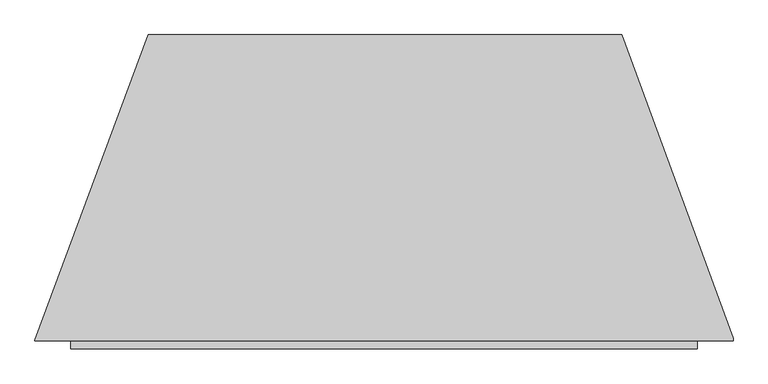
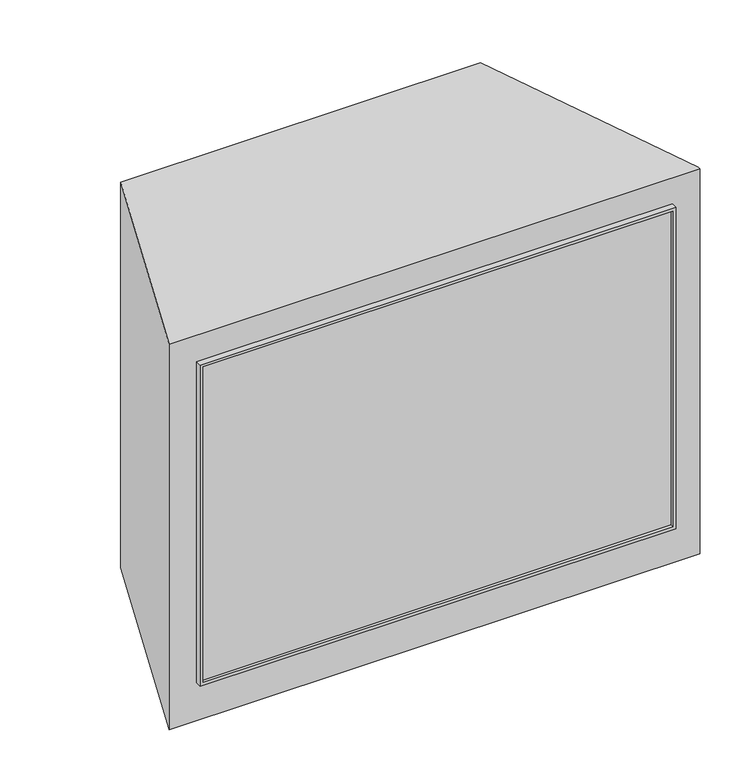
"""IFC4 building model written with IfcOpenShell, lengths in millimetres: proxy geometry."""

from ifc_helpers import new_model, si_unit, origin, origin_with_axes, place, context, project, spatial, polyline, outline, extrude, faceted_brep, source, transform, mapped, element, save


def generic_models_defa969e(model_context):
    return source(origin(), model_context, "Body", "SolidModel", [
        faceted_brep([(478.63125, 0.0, 763.0914062), (-478.63125, 0.0, 763.0914062), (-478.63125, -11.9269933, 763.0914062), (478.63125, -11.9269933, 763.0914062), (478.63125, 0.0, 80.4664063), (478.63125, -11.9269933, 80.4664063), (-478.63125, -11.9269933, 80.4664063), (-478.63125, 0.0, 80.4664063), (-472.28125, -11.9269933, 756.7414062), (472.28125, -11.9269933, 756.7414062), (472.28125, -11.9269933, 86.8164063), (-472.28125, -11.9269933, 86.8164063), (472.28125, -6.1953115, 756.7414062), (-472.28125, -6.1953115, 756.7414062), (-472.28125, -6.1953115, 86.8164063), (472.28125, -6.1953115, 86.8164063)], [[[0, 1, 2, 3]], [[4, 5, 6, 7]], [[1, 0, 4, 7]], [[2, 1, 7, 6]], [[3, 2, 6, 5], [8, 9, 10, 11]], [[0, 3, 5, 4]], [[12, 13, 14, 15]], [[13, 12, 9, 8]], [[14, 13, 8, 11]], [[15, 14, 11, 10]], [[12, 15, 10, 9]]]),
        extrude(outline(polyline([(533.4, 0.0), (-533.4, 0.0), (-533.4, 1.12014), (-360.5146861, 468.3125), (362.9786849, 468.3125), (533.4, 4.2441313), (533.4, 0.0)])), origin_with_axes(), (0.0, 0.0, 1.0), 819.15),
    ])


if __name__ == "__main__":
    model = new_model("IFC4")
    model_context = context("Model", 3, world=origin())
    ifc_project = project(units=[si_unit("LENGTHUNIT", "METRE", prefix="MILLI")], contexts=[model_context])
    site = spatial("IfcSite", under=ifc_project)
    building = spatial("IfcBuilding", under=site)
    placement = place(None, origin())
    generic_models_shape = generic_models_defa969e(model_context)
    element("IfcBuildingElementProxy", 1, Name="Generic Models", at=placement, inside=building, context=model_context, shape_type="MappedRepresentation", body=[
        mapped(generic_models_shape, transform((0.0, 0.0, 0.0), x_axis=(1.0, 0.0, 0.0), y_axis=(0.0, 1.0, 0.0), z_axis=(0.0, 0.0, 1.0))),
    ])
    save(model, "model.ifc")
